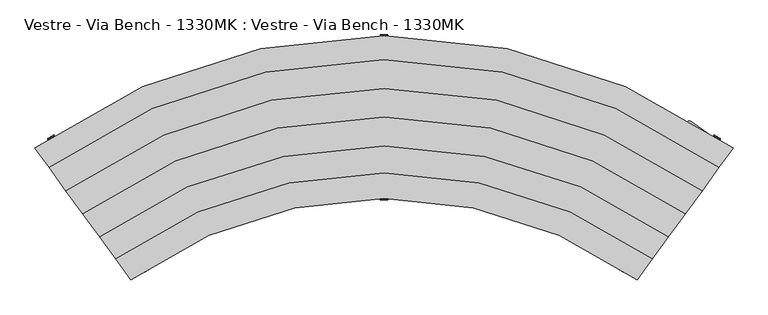
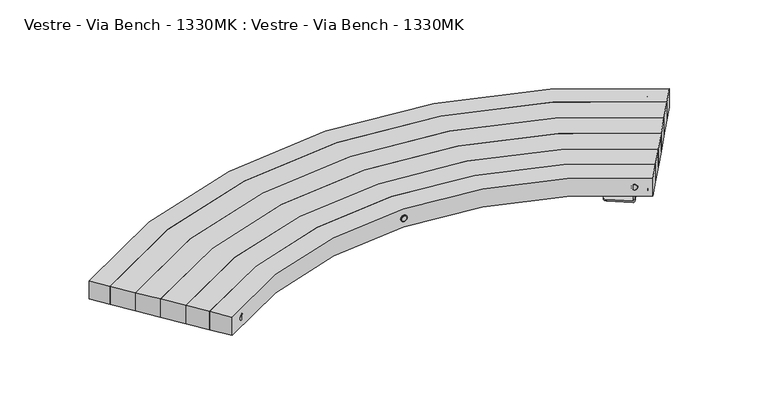
"""IFC4 building model written with IfcOpenShell, lengths in millimetres: furniture geometry, Vestre - Via Bench - 1330MK : Vestre - Via Bench - 1330MK."""

from ifc_helpers import new_model, si_unit, point, frame, frame_2d, origin, place, context, project, spatial, polyline, circle_curve, trimmed, segment, composite_curve, outline, extrude, source, transform, mapped, element, save
from ifc_brep_helpers import plane_surface, cylinder_surface, revolved_surface, advanced_brep


def vestre_via_bench_1330mk_vestre_via_bench_1330mk_313ff2eb(model_context):
    return source(origin(), model_context, "Body", "SolidModel", [
        advanced_brep(
        [(-746.7707062, -484.4294589, 414.0553515), (-728.4152652, -472.5092961, 414.0553515), (-728.4895462, -469.6115602, 414.0553515), (-749.387707, -483.1829845, 414.0553515), (-727.9695361, -470.4123054, 414.0553515), (-748.8676969, -483.9837298, 414.0553515)],
        [
            (0, 1, circle_curve(frame((-737.5929857, -478.4693775, 414.0553515), z_axis=(0.544639035015091, -0.8386705679453826, 0.0), x_axis=(-0.8386705679453826, -0.544639035015091, 0.0)), 10.943177)),
            (1, 0, circle_curve(frame((-737.5929857, -478.4693775, 414.0553515), z_axis=(0.544639035015091, -0.8386705679453826, 0.0), x_axis=(0.8386705679453826, 0.544639035015091, 0.0)), 10.943177)),
            (2, 3, circle_curve(frame((-738.9386266, -476.3972723, 414.0553515), z_axis=(-0.544639035015091, 0.8386705679453826, 0.0), x_axis=(-0.8386705679453826, -0.544639035015091, 0.0)), 12.4590999)),
            (3, 2, circle_curve(frame((-738.9386266, -476.3972723, 414.0553515), z_axis=(-0.544639035015091, 0.8386705679453826, 0.0), x_axis=(0.8386705679453826, 0.544639035015091, 0.0)), 12.4590999)),
            (4, 5, circle_curve(frame((-738.4186165, -477.1980176, 414.0553515), z_axis=(-0.544639035015091, 0.8386705679453826, 0.0), x_axis=(-0.8386705679453826, -0.544639035015091, 0.0)), 12.4590999)),
            (5, 3),
            (2, 4),
            (4, 1),
            (0, 5),
            (5, 4, circle_curve(frame((-738.4186165, -477.1980176, 414.0553515), z_axis=(-0.544639035015091, 0.8386705679453826, 0.0), x_axis=(0.8386705679453826, 0.544639035015091, 0.0)), 12.4590999)),
        ],
        [
            plane_surface(frame((-739.232412, -479.5340334, 414.0553515), z_axis=(0.544639035015091, -0.8386705679453826, 0.0), x_axis=(0.0, 0.0, -1.0))),
            plane_surface(frame((-740.5780529, -477.4619282, 414.0553515), z_axis=(-0.544639035015091, 0.8386705679453826, 0.0), x_axis=(0.0, 0.0, 1.0))),
            cylinder_surface(frame((-877.6741456, -262.7633074, 414.0553515), z_axis=(0.544639035015091, -0.8386705679453826, 0.0), x_axis=(-0.8386705679453826, -0.544639035015091, 0.0)), 12.4590999),
            revolved_surface(polyline([(-748.8676969, -483.9837298, 414.0553515), (-746.7707062, -484.4294589, 414.0553515)]), (-877.6741456, -262.7633074, 414.0553515), (0.544639035015091, -0.8386705679453826, 0.0)),
            cylinder_surface(frame((-877.6741456, -262.7633074, 414.0553515), z_axis=(0.544639035015091, -0.8386705679453826, 0.0), x_axis=(0.8386705679453826, 0.544639035015091, 0.0)), 12.4590999),
            revolved_surface(polyline([(-727.9695361, -470.4123054, 414.0553515), (-728.4152652, -472.5092961, 414.0553515)]), (-877.6741456, -262.7633074, 414.0553515), (0.544639035015091, -0.8386705679453826, 0.0)),
        ],
        [
            (0, [[1, 2]]),
            (1, [[3, 4]]),
            (2, [[5, 6, -3, 7]]),
            (3, [[-5, 8, -1, 9]]),
            (4, [[-6, 10, -7, -4]]),
            (5, [[-9, -2, -8, -10]]),
        ],
    ),
        advanced_brep(
        [(-12.4590999, -256.4481884, 414.0553515), (12.4590999, -256.4481884, 414.0553515), (12.4590999, -257.4029676, 414.0553515), (-12.4590999, -257.4029676, 414.0553515), (10.943177, -258.9188905, 414.0553515), (-10.943177, -258.9188905, 414.0553515)],
        [
            (0, 1, circle_curve(frame((0.0, -256.4481884, 414.0553515), z_axis=(0.0, -1.0, 0.0), x_axis=(1.0, 0.0, 0.0)), 12.4590999)),
            (1, 2),
            (2, 3, circle_curve(frame((0.0, -257.4029676, 414.0553515), z_axis=(0.0, 1.0, 0.0), x_axis=(1.0, 0.0, 0.0)), 12.4590999)),
            (3, 0),
            (2, 4),
            (4, 5, circle_curve(frame((0.0, -258.9188905, 414.0553515), z_axis=(0.0, 1.0, 0.0), x_axis=(1.0, 0.0, 0.0)), 10.943177)),
            (5, 3),
            (0, 1, circle_curve(frame((0.0, -256.4481884, 414.0553515), z_axis=(0.0, 1.0, 0.0), x_axis=(-1.0, 0.0, 0.0)), 12.4590999)),
            (3, 2, circle_curve(frame((0.0, -257.4029676, 414.0553515), z_axis=(0.0, 1.0, 0.0), x_axis=(-1.0, 0.0, 0.0)), 12.4590999)),
            (5, 4, circle_curve(frame((0.0, -258.9188905, 414.0553515), z_axis=(0.0, 1.0, 0.0), x_axis=(-1.0, 0.0, 0.0)), 10.943177)),
        ],
        [
            cylinder_surface(frame((0.0, -1.7188905, 414.0553515), z_axis=(0.0, 1.0, 0.0), x_axis=(1.0, 0.0, 0.0)), 12.4590999),
            revolved_surface(polyline([(10.943177, -258.9188905, 414.0553515), (12.4590999, -257.4029676, 414.0553515)]), (0.0, -1.7188905, 414.0553515), (0.0, 1.0, 0.0)),
            plane_surface(frame((0.0, -256.4481884, 414.0553515), z_axis=(0.0, 1.0, 0.0), x_axis=(-1.0, 0.0, 0.0))),
            cylinder_surface(frame((0.0, -1.7188905, 414.0553515), z_axis=(0.0, 1.0, 0.0), x_axis=(-1.0, 0.0, 0.0)), 12.4590999),
            revolved_surface(polyline([(-10.943177, -258.9188905, 414.0553515), (-12.4590999, -257.4029676, 414.0553515)]), (0.0, -1.7188905, 414.0553515), (0.0, 1.0, 0.0)),
            plane_surface(frame((0.0, -258.9188905, 414.0553515), z_axis=(0.0, -1.0, 0.0), x_axis=(-1.0, 0.0, 0.0))),
        ],
        [
            (0, [[1, 2, 3, 4]]),
            (1, [[-3, 5, 6, 7]]),
            (2, [[-1, 8]]),
            (3, [[-2, -8, -4, 9]]),
            (4, [[-5, -9, -7, 10]]),
            (5, [[-6, -10]]),
        ],
    ),
        advanced_brep(
        [(728.4895462, -469.6115602, 414.0553515), (749.387707, -483.1829845, 414.0553515), (748.8676969, -483.9837298, 414.0553515), (727.9695361, -470.4123054, 414.0553515), (746.7707062, -484.4294589, 414.0553515), (728.4152652, -472.5092961, 414.0553515)],
        [
            (0, 1, circle_curve(frame((738.9386266, -476.3972723, 414.0553515), z_axis=(-0.544639035015091, -0.8386705679453826, 0.0), x_axis=(0.8386705679453826, -0.544639035015091, 0.0)), 12.4590999)),
            (1, 2),
            (2, 3, circle_curve(frame((738.4186165, -477.1980176, 414.0553515), z_axis=(0.544639035015091, 0.8386705679453826, 0.0), x_axis=(0.8386705679453826, -0.544639035015091, 0.0)), 12.4590999)),
            (3, 0),
            (2, 4),
            (4, 5, circle_curve(frame((737.5929857, -478.4693775, 414.0553515), z_axis=(0.544639035015091, 0.8386705679453826, 0.0), x_axis=(0.8386705679453826, -0.544639035015091, 0.0)), 10.943177)),
            (5, 3),
            (0, 1, circle_curve(frame((738.9386266, -476.3972723, 414.0553515), z_axis=(0.544639035015091, 0.8386705679453826, 0.0), x_axis=(-0.8386705679453826, 0.544639035015091, 0.0)), 12.4590999)),
            (3, 2, circle_curve(frame((738.4186165, -477.1980176, 414.0553515), z_axis=(0.544639035015091, 0.8386705679453826, 0.0), x_axis=(-0.8386705679453826, 0.544639035015091, 0.0)), 12.4590999)),
            (5, 4, circle_curve(frame((737.5929857, -478.4693775, 414.0553515), z_axis=(0.544639035015091, 0.8386705679453826, 0.0), x_axis=(-0.8386705679453826, 0.544639035015091, 0.0)), 10.943177)),
        ],
        [
            cylinder_surface(frame((877.6741456, -262.7633074, 414.0553515), z_axis=(0.544639035015091, 0.8386705679453826, 0.0), x_axis=(0.8386705679453826, -0.544639035015091, 0.0)), 12.4590999),
            revolved_surface(polyline([(746.7707062, -484.4294589, 414.0553515), (748.8676969, -483.9837298, 414.0553515)]), (877.6741456, -262.7633074, 414.0553515), (0.544639035015091, 0.8386705679453826, 0.0)),
            plane_surface(frame((738.9386266, -476.3972723, 414.0553515), z_axis=(0.544639035015091, 0.8386705679453826, 0.0), x_axis=(-0.8386705679453826, 0.544639035015091, 0.0))),
            cylinder_surface(frame((877.6741456, -262.7633074, 414.0553515), z_axis=(0.544639035015091, 0.8386705679453826, 0.0), x_axis=(-0.8386705679453826, 0.544639035015091, 0.0)), 12.4590999),
            revolved_surface(polyline([(728.4152652, -472.5092961, 414.0553515), (727.9695361, -470.4123054, 414.0553515)]), (877.6741456, -262.7633074, 414.0553515), (0.544639035015091, 0.8386705679453826, 0.0)),
            plane_surface(frame((737.5929857, -478.4693775, 414.0553515), z_axis=(-0.544639035015091, -0.8386705679453826, 0.0), x_axis=(-0.8386705679453826, 0.544639035015091, 0.0))),
        ],
        [
            (0, [[1, 2, 3, 4]]),
            (1, [[-3, 5, 6, 7]]),
            (2, [[-1, 8]]),
            (3, [[-2, -8, -4, 9]]),
            (4, [[-5, -9, -7, 10]]),
            (5, [[-6, -10]]),
        ],
    ),
        advanced_brep(
        [(1029.3517649, -56.3296352, 414.0553515), (1050.1283702, -70.0864282, 414.0553515), (1049.6012575, -70.8825158, 414.0553515), (1028.8246522, -57.1257228, 414.0553515), (1031.4526377, -55.9025781, 414.0553515), (1049.7013131, -67.9855553, 414.0553515)],
        [
            (0, 1, circle_curve(frame((1039.7400676, -63.2080317, 414.0553515), z_axis=(-0.5520781232859945, -0.8337923877015275, 0.0), x_axis=(0.8337923877015275, -0.5520781232859945, 0.0)), 12.4590999)),
            (1, 2),
            (2, 3, circle_curve(frame((1039.2129548, -64.0041193, 414.0553515), z_axis=(0.5520781232859945, 0.8337923877015275, 0.0), x_axis=(0.8337923877015275, -0.5520781232859945, 0.0)), 12.4590999)),
            (3, 0),
            (0, 4),
            (4, 5, circle_curve(frame((1040.5769754, -61.9440667, 414.0553515), z_axis=(-0.5520781232859945, -0.8337923877015275, 0.0), x_axis=(0.8337923877015275, -0.5520781232859945, 0.0)), 10.943177)),
            (5, 1),
            (2, 3, circle_curve(frame((1039.2129548, -64.0041193, 414.0553515), z_axis=(-0.5520781232859945, -0.8337923877015275, 0.0), x_axis=(-0.8337923877015275, 0.5520781232859945, 0.0)), 12.4590999)),
            (1, 0, circle_curve(frame((1039.7400676, -63.2080317, 414.0553515), z_axis=(-0.5520781232859945, -0.8337923877015275, 0.0), x_axis=(-0.8337923877015275, 0.5520781232859945, 0.0)), 12.4590999)),
            (5, 4, circle_curve(frame((1040.5769754, -61.9440667, 414.0553515), z_axis=(-0.5520781232859945, -0.8337923877015275, 0.0), x_axis=(-0.8337923877015275, 0.5520781232859945, 0.0)), 10.943177)),
        ],
        [
            cylinder_surface(frame((898.5824821, -276.3954688, 414.0553515), z_axis=(0.5520781232859945, 0.8337923877015275, 0.0), x_axis=(0.8337923877015275, -0.5520781232859945, 0.0)), 12.4590999),
            revolved_surface(polyline([(1050.1283702, -70.0864282, 414.0553515), (1049.7013131, -67.9855553, 414.0553515)]), (898.5824821, -276.3954688, 414.0553515), (0.5520781232859945, 0.8337923877015275, 0.0)),
            plane_surface(frame((1039.2129548, -64.0041193, 414.0553515), z_axis=(-0.5520781232859945, -0.8337923877015275, 0.0), x_axis=(-0.8337923877015275, 0.5520781232859945, 0.0))),
            cylinder_surface(frame((898.5824821, -276.3954688, 414.0553515), z_axis=(0.5520781232859945, 0.8337923877015275, 0.0), x_axis=(-0.8337923877015275, 0.5520781232859945, 0.0)), 12.4590999),
            revolved_surface(polyline([(1029.3517649, -56.3296352, 414.0553515), (1031.4526377, -55.9025781, 414.0553515)]), (898.5824821, -276.3954688, 414.0553515), (0.5520781232859945, 0.8337923877015275, 0.0)),
            plane_surface(frame((1040.5769754, -61.9440667, 414.0553515), z_axis=(0.5520781232859945, 0.8337923877015275, 0.0), x_axis=(-0.8337923877015275, 0.5520781232859945, 0.0))),
        ],
        [
            (0, [[1, 2, 3, 4]]),
            (1, [[-1, 5, 6, 7]]),
            (2, [[-3, 8]]),
            (3, [[-2, 9, -4, -8]]),
            (4, [[-7, 10, -5, -9]]),
            (5, [[-6, -10]]),
        ],
    ),
        advanced_brep(
        [(-12.4590999, 255.6840771, 414.0553515), (12.4590999, 255.6840771, 414.0553515), (12.4590999, 254.7292979, 414.0553515), (-12.4590999, 254.7292979, 414.0553515), (-10.943177, 257.2, 414.0553515), (10.943177, 257.2, 414.0553515)],
        [
            (0, 1, circle_curve(frame((0.0, 255.6840771, 414.0553515), z_axis=(0.0, -1.0, 0.0), x_axis=(1.0, 0.0, 0.0)), 12.4590999)),
            (1, 2),
            (2, 3, circle_curve(frame((0.0, 254.7292979, 414.0553515), z_axis=(0.0, 1.0, 0.0), x_axis=(1.0, 0.0, 0.0)), 12.4590999)),
            (3, 0),
            (0, 4),
            (4, 5, circle_curve(frame((0.0, 257.2, 414.0553515), z_axis=(0.0, -1.0, 0.0), x_axis=(1.0, 0.0, 0.0)), 10.943177)),
            (5, 1),
            (2, 3, circle_curve(frame((0.0, 254.7292979, 414.0553515), z_axis=(0.0, -1.0, 0.0), x_axis=(-1.0, 0.0, 0.0)), 12.4590999)),
            (1, 0, circle_curve(frame((0.0, 255.6840771, 414.0553515), z_axis=(0.0, -1.0, 0.0), x_axis=(-1.0, 0.0, 0.0)), 12.4590999)),
            (5, 4, circle_curve(frame((0.0, 257.2, 414.0553515), z_axis=(0.0, -1.0, 0.0), x_axis=(-1.0, 0.0, 0.0)), 10.943177)),
        ],
        [
            cylinder_surface(frame((0.0, 0.0, 414.0553515), z_axis=(0.0, 1.0, 0.0), x_axis=(1.0, 0.0, 0.0)), 12.4590999),
            revolved_surface(polyline([(12.4590999, 255.6840771, 414.0553515), (10.943177, 257.2, 414.0553515)]), (0.0, 0.0, 414.0553515), (0.0, 1.0, 0.0)),
            plane_surface(frame((0.0, 254.7292979, 414.0553515), z_axis=(0.0, -1.0, 0.0), x_axis=(-1.0, 0.0, 0.0))),
            cylinder_surface(frame((0.0, 0.0, 414.0553515), z_axis=(0.0, 1.0, 0.0), x_axis=(-1.0, 0.0, 0.0)), 12.4590999),
            revolved_surface(polyline([(-12.4590999, 255.6840771, 414.0553515), (-10.943177, 257.2, 414.0553515)]), (0.0, 0.0, 414.0553515), (0.0, 1.0, 0.0)),
            plane_surface(frame((0.0, 257.2, 414.0553515), z_axis=(0.0, 1.0, 0.0), x_axis=(-1.0, 0.0, 0.0))),
        ],
        [
            (0, [[1, 2, 3, 4]]),
            (1, [[-1, 5, 6, 7]]),
            (2, [[-3, 8]]),
            (3, [[-2, 9, -4, -8]]),
            (4, [[-7, 10, -5, -9]]),
            (5, [[-6, -10]]),
        ],
    ),
        advanced_brep(
        [(-1028.8246522, -57.1257228, 414.0553515), (-1049.6012575, -70.8825158, 414.0553515), (-1050.1283702, -70.0864282, 414.0553515), (-1029.3517649, -56.3296352, 414.0553515), (-1049.7013131, -67.9855553, 414.0553515), (-1031.4526377, -55.9025781, 414.0553515)],
        [
            (0, 1, circle_curve(frame((-1039.2129548, -64.0041193, 414.0553515), z_axis=(-0.5520781232859945, 0.8337923877015276, 0.0), x_axis=(-0.8337923877015274, -0.5520781232859944, 0.0)), 12.4590999)),
            (1, 2),
            (2, 3, circle_curve(frame((-1039.7400676, -63.2080317, 414.0553515), z_axis=(0.5520781232859945, -0.8337923877015276, 0.0), x_axis=(-0.8337923877015274, -0.5520781232859944, 0.0)), 12.4590999)),
            (3, 0),
            (2, 4),
            (4, 5, circle_curve(frame((-1040.5769754, -61.9440667, 414.0553515), z_axis=(0.5520781232859945, -0.8337923877015276, 0.0), x_axis=(-0.8337923877015274, -0.5520781232859944, 0.0)), 10.943177)),
            (5, 3),
            (0, 1, circle_curve(frame((-1039.2129548, -64.0041193, 414.0553515), z_axis=(0.5520781232859945, -0.8337923877015276, 0.0), x_axis=(0.8337923877015274, 0.5520781232859944, 0.0)), 12.4590999)),
            (3, 2, circle_curve(frame((-1039.7400676, -63.2080317, 414.0553515), z_axis=(0.5520781232859945, -0.8337923877015276, 0.0), x_axis=(0.8337923877015274, 0.5520781232859944, 0.0)), 12.4590999)),
            (5, 4, circle_curve(frame((-1040.5769754, -61.9440667, 414.0553515), z_axis=(0.5520781232859945, -0.8337923877015276, 0.0), x_axis=(0.8337923877015274, 0.5520781232859944, 0.0)), 10.943177)),
        ],
        [
            cylinder_surface(frame((-898.5824821, -276.3954688, 414.0553515), z_axis=(0.5520781232859944, -0.8337923877015274, 0.0), x_axis=(-0.8337923877015274, -0.5520781232859944, 0.0)), 12.4590999),
            revolved_surface(polyline([(-1049.7013131, -67.9855553, 414.0553515), (-1050.1283702, -70.0864282, 414.0553515)]), (-898.5824821, -276.3954688, 414.0553515), (0.5520781232859944, -0.8337923877015274, 0.0)),
            plane_surface(frame((-1039.2129548, -64.0041193, 414.0553515), z_axis=(0.5520781232859945, -0.8337923877015275, 0.0), x_axis=(0.8337923877015275, 0.5520781232859945, 0.0))),
            cylinder_surface(frame((-898.5824821, -276.3954688, 414.0553515), z_axis=(0.5520781232859944, -0.8337923877015274, 0.0), x_axis=(0.8337923877015274, 0.5520781232859944, 0.0)), 12.4590999),
            revolved_surface(polyline([(-1031.4526377, -55.9025781, 414.0553515), (-1029.3517649, -56.3296352, 414.0553515)]), (-898.5824821, -276.3954688, 414.0553515), (0.5520781232859944, -0.8337923877015274, 0.0)),
            plane_surface(frame((-1040.5769754, -61.9440667, 414.0553515), z_axis=(-0.5520781232859945, 0.8337923877015275, 0.0), x_axis=(0.8337923877015275, 0.5520781232859945, 0.0))),
        ],
        [
            (0, [[1, 2, 3, 4]]),
            (1, [[-3, 5, 6, 7]]),
            (2, [[-1, 8]]),
            (3, [[-2, -8, -4, 9]]),
            (4, [[-5, -9, -7, 10]]),
            (5, [[-6, -10]]),
        ],
    ),
        extrude(outline(composite_curve([segment(polyline([(-790.3481694, -508.6694231), (-837.5173504, -443.7466151)]), True, "CONTINUOUS"), segment(trimmed(circle_curve(frame_2d((0.0, -1613.0635707)), 1438.3106253), [point((-837.5173504, -443.7466151))], [point((837.5173504, -443.7466151))], False, "CARTESIAN"), True, "CONTINUOUS"), segment(polyline([(837.5173504, -443.7466151), (790.3481694, -508.6694231)]), True, "CONTINUOUS"), segment(trimmed(circle_curve(frame_2d((0.0, -1613.0635707)), 1358.0635707), [point((790.3481694, -508.6694231))], [point((-790.3481694, -508.6694231))], True, "CARTESIAN"), True, "CONTINUOUS")], self_intersect=False)), frame((0.0, 0.0, 378.0005819), z_axis=(0.0, 0.0, 1.0), x_axis=(1.0, 0.0, 0.0)), (0.0, 0.0, 1.0), 72.0),
        extrude(outline(composite_curve([segment(polyline([(-837.5173504, -443.7466151), (-887.3358777, -375.1772949)]), True, "CONTINUOUS"), segment(trimmed(circle_curve(frame_2d((0.0, -1613.0635707)), 1523.0651305), [point((-887.3358777, -375.1772949))], [point((887.3358777, -375.1772949))], False, "CARTESIAN"), True, "CONTINUOUS"), segment(polyline([(887.3358777, -375.1772949), (837.5173504, -443.7466151)]), True, "CONTINUOUS"), segment(trimmed(circle_curve(frame_2d((0.0, -1613.0635707)), 1438.3106253), [point((837.5173504, -443.7466151))], [point((-837.5173504, -443.7466151))], True, "CARTESIAN"), True, "CONTINUOUS")], self_intersect=False)), frame((0.0, 0.0, 378.0005819), z_axis=(0.0, 0.0, 1.0), x_axis=(1.0, 0.0, 0.0)), (0.0, 0.0, 1.0), 72.0),
        extrude(outline(composite_curve([segment(polyline([(-887.3358777, -375.1772949), (-940.2366553, -302.365621)]), True, "CONTINUOUS"), segment(trimmed(circle_curve(frame_2d((0.0, -1613.0635707)), 1613.0635707), [point((-940.2366553, -302.365621))], [point((940.2366553, -302.365621))], False, "CARTESIAN"), True, "CONTINUOUS"), segment(polyline([(940.2366553, -302.365621), (887.3358777, -375.1772949)]), True, "CONTINUOUS"), segment(trimmed(circle_curve(frame_2d((0.0, -1613.0635707)), 1523.0651305), [point((887.3358777, -375.1772949))], [point((-887.3358777, -375.1772949))], True, "CARTESIAN"), True, "CONTINUOUS")], self_intersect=False)), frame((0.0, 0.0, 378.0005819), z_axis=(0.0, 0.0, 1.0), x_axis=(1.0, 0.0, 0.0)), (0.0, 0.0, 1.0), 72.0),
        extrude(outline(composite_curve([segment(polyline([(-940.2366553, -302.365621), (-992.7079408, -230.1450923)]), True, "CONTINUOUS"), segment(trimmed(circle_curve(frame_2d((0.0, -1613.0635707)), 1702.3315111), [point((-992.7079408, -230.1450923))], [point((992.7079408, -230.1450923))], False, "CARTESIAN"), True, "CONTINUOUS"), segment(polyline([(992.7079408, -230.1450923), (940.2366553, -302.365621)]), True, "CONTINUOUS"), segment(trimmed(circle_curve(frame_2d((0.0, -1613.0635707)), 1613.0635707), [point((940.2366553, -302.365621))], [point((-940.2366553, -302.365621))], True, "CARTESIAN"), True, "CONTINUOUS")], self_intersect=False)), frame((0.0, 0.0, 378.0005819), z_axis=(0.0, 0.0, 1.0), x_axis=(1.0, 0.0, 0.0)), (0.0, 0.0, 1.0), 72.0),
        extrude(outline(composite_curve([segment(polyline([(-992.7079408, -230.1450923), (-1045.5946669, -157.3527586)]), True, "CONTINUOUS"), segment(trimmed(circle_curve(frame_2d((0.0, -1613.0635707)), 1792.3063845), [point((-1045.5946669, -157.3527586))], [point((1045.5946669, -157.3527586))], False, "CARTESIAN"), True, "CONTINUOUS"), segment(polyline([(1045.5946669, -157.3527586), (992.7079408, -230.1450923)]), True, "CONTINUOUS"), segment(trimmed(circle_curve(frame_2d((0.0, -1613.0635707)), 1702.3315111), [point((992.7079408, -230.1450923))], [point((-992.7079408, -230.1450923))], True, "CARTESIAN"), True, "CONTINUOUS")], self_intersect=False)), frame((0.0, 0.0, 378.0005819), z_axis=(0.0, 0.0, 1.0), x_axis=(1.0, 0.0, 0.0)), (0.0, 0.0, 1.0), 72.0),
        extrude(outline(composite_curve([segment(polyline([(-1045.5946669, -157.3527586), (-1089.6791858, -96.6756238)]), True, "CONTINUOUS"), segment(trimmed(circle_curve(frame_2d((0.0, -1613.0635707)), 1867.3063845), [point((-1089.6791858, -96.6756238))], [point((1089.6791858, -96.6756238))], False, "CARTESIAN"), True, "CONTINUOUS"), segment(polyline([(1089.6791858, -96.6756238), (1045.5946669, -157.3527586)]), True, "CONTINUOUS"), segment(trimmed(circle_curve(frame_2d((0.0, -1613.0635707)), 1792.3063845), [point((1045.5946669, -157.3527586))], [point((-1045.5946669, -157.3527586))], True, "CARTESIAN"), True, "CONTINUOUS")], self_intersect=False)), frame((0.0, 0.0, 378.0005819), z_axis=(0.0, 0.0, 1.0), x_axis=(1.0, 0.0, 0.0)), (0.0, 0.0, 1.0), 72.0),
        advanced_brep(
        [(959.3718215, -14.2829364, 347.5561945), (945.403797, -16.4952411, 347.5561945), (668.7329037, -397.2993261, 347.5561945), (670.9452084, -411.2673506, 347.5561945), (741.6883802, -462.665372, 347.5561945), (1030.1149932, -65.6809579, 347.5561945), (670.9452084, -411.2673506, 342.5561945), (668.7329037, -397.2993261, 342.5561945), (945.403797, -16.4952411, 342.5561945), (959.3718215, -14.2829364, 342.5561945), (1030.1152993, -65.6811803, 342.5561945), (741.6886862, -462.6655944, 342.5561945), (1030.7622064, -66.1511867, 348.3561945), (1030.7622064, -66.1511867, 372.2), (1035.4548079, -69.5605678, 378.0003783), (1059.1489672, -86.7754152, 378.0003783), (1059.1489672, -86.7754152, 373.0), (1035.4548079, -69.5605678, 373.0), (1034.8075947, -69.090339, 372.2), (1034.8075947, -69.090339, 348.3561945), (746.3809817, -466.0747531, 348.3561945), (746.3809817, -466.0747531, 372.2), (747.0281948, -466.5449819, 373.0), (770.7223542, -483.7598294, 373.0), (770.7223542, -483.7598294, 378.0003783), (747.0281948, -466.5449819, 378.0003783), (742.3355933, -463.1356008, 372.2), (742.3355933, -463.1356008, 348.3561945), (952.9360111, -232.9647273, 378.0003783), (936.755682, -221.2090075, 378.0003783), (932.9409133, -210.6585682, 378.0003783), (902.0313507, -253.2018498, 378.0003783), (913.2442424, -253.5696658, 378.0003783), (929.4245715, -265.3253856, 378.0003783), (943.392596, -263.113081, 378.0003783), (955.1483158, -246.9327518, 378.0003783), (966.1449815, -180.7581846, 378.0003783), (982.3253107, -192.5139044, 378.0003783), (996.2933351, -190.3015997, 378.0003783), (1008.049055, -174.1212706, 378.0003783), (1005.8367503, -160.1532461, 378.0003783), (989.6564211, -148.3975263, 378.0003783), (985.8416524, -137.847087, 378.0003783), (954.9320898, -180.3903686, 378.0003783), (1019.0457206, -107.9467034, 378.0003783), (1035.2260498, -119.7024232, 378.0003783), (1049.1940743, -117.4901185, 378.0003783), (1061.3612719, -100.7434397, 378.0003783), (1007.8328289, -107.5788873, 378.0003783), (900.035272, -305.7762085, 378.0003783), (883.8549429, -294.0204887, 378.0003783), (880.0401742, -283.4700495, 378.0003783), (849.1306116, -326.013331, 378.0003783), (860.3435033, -326.3811471, 378.0003783), (876.5238324, -338.1368669, 378.0003783), (890.4918569, -335.9245622, 378.0003783), (902.2475767, -319.744233, 378.0003783), (847.1345329, -378.5876898, 378.0003783), (830.9542037, -366.83197, 378.0003783), (827.1394351, -356.2815307, 378.0003783), (796.2298724, -398.8248123, 378.0003783), (807.4427641, -399.1926283, 378.0003783), (823.6230933, -410.9483481, 378.0003783), (837.5911178, -408.7360434, 378.0003783), (849.3468376, -392.5557143, 378.0003783), (794.2337938, -451.399171, 378.0003783), (778.0534646, -439.6434512, 378.0003783), (774.238696, -429.093012, 378.0003783), (784.6903787, -481.5475247, 378.0003783), (796.4460985, -465.3671955, 378.0003783), (952.9360111, -232.9647273, 373.0), (955.1483158, -246.9327518, 373.0), (943.392596, -263.113081, 373.0), (929.4245715, -265.3253856, 373.0), (913.2442424, -253.5696658, 373.0), (902.0313507, -253.2018498, 373.0), (932.9409133, -210.6585682, 373.0), (936.755682, -221.2090075, 373.0), (966.1449815, -180.7581846, 373.0), (954.9320898, -180.3903686, 373.0), (985.8416524, -137.847087, 373.0), (989.6564211, -148.3975263, 373.0), (1005.8367503, -160.1532461, 373.0), (1008.049055, -174.1212706, 373.0), (996.2933351, -190.3015997, 373.0), (982.3253107, -192.5139044, 373.0), (1019.0457206, -107.9467034, 373.0), (1007.8328289, -107.5788873, 373.0), (1061.3612719, -100.7434397, 373.0), (1049.1940743, -117.4901185, 373.0), (1035.2260498, -119.7024232, 373.0), (900.035272, -305.7762085, 373.0), (902.2475767, -319.744233, 373.0), (890.4918569, -335.9245622, 373.0), (876.5238324, -338.1368669, 373.0), (860.3435033, -326.3811471, 373.0), (849.1306116, -326.013331, 373.0), (880.0401742, -283.4700495, 373.0), (883.8549429, -294.0204887, 373.0), (847.1345329, -378.5876898, 373.0), (849.3468376, -392.5557143, 373.0), (837.5911178, -408.7360434, 373.0), (823.6230933, -410.9483481, 373.0), (807.4427641, -399.1926283, 373.0), (796.2298724, -398.8248123, 373.0), (827.1394351, -356.2815307, 373.0), (830.9542037, -366.83197, 373.0), (794.2337938, -451.399171, 373.0), (796.4460985, -465.3671955, 373.0), (784.6903787, -481.5475247, 373.0), (774.238696, -429.093012, 373.0), (778.0534646, -439.6434512, 373.0)],
        [
            (0, 1, circle_curve(frame((953.4939616, -22.373101, 347.5561945), z_axis=(0.0, 0.0, 1.0), x_axis=(0.587785990252187, 0.8090164582153172, 0.0)), 10.0)),
            (1, 2),
            (2, 3, circle_curve(frame((676.8230683, -403.177186, 347.5561945), z_axis=(0.0, 0.0, 1.0), x_axis=(-0.8090164582153332, 0.587785990252165, 0.0)), 10.0)),
            (3, 4),
            (4, 5),
            (5, 0),
            (6, 7, circle_curve(frame((676.8230683, -403.177186, 342.5561945), z_axis=(0.0, 0.0, -1.0), x_axis=(-0.8090164582153332, 0.587785990252165, 0.0)), 10.0)),
            (7, 8),
            (8, 9, circle_curve(frame((953.4939616, -22.373101, 342.5561945), z_axis=(0.0, 0.0, -1.0), x_axis=(0.587785990252187, 0.8090164582153172, 0.0)), 10.0)),
            (9, 10),
            (10, 11),
            (11, 6),
            (2, 7),
            (6, 3),
            (1, 8),
            (0, 9),
            (5, 12, circle_curve(frame((1030.1149932, -65.6809579, 348.3561945), z_axis=(-0.5877859902522089, -0.8090164582153013, 0.0), x_axis=(-0.8090164582153013, 0.5877859902522089, 0.0)), 0.8)),
            (12, 13),
            (13, 14, circle_curve(frame((1035.4548079, -69.5605678, 372.2), z_axis=(0.5877859902522089, 0.8090164582153013, 0.0), x_axis=(-0.8090164582153013, 0.5877859902522089, 0.0)), 5.8003783)),
            (14, 15),
            (15, 16),
            (16, 17),
            (17, 18, circle_curve(frame((1035.4548079, -69.5605678, 372.2), z_axis=(-0.5877859902522089, -0.8090164582153013, 0.0), x_axis=(-0.8090164582153013, 0.5877859902522089, 0.0)), 0.8)),
            (18, 19),
            (19, 10, circle_curve(frame((1030.1152993, -65.6811803, 348.3561945), z_axis=(0.5877859902522089, 0.8090164582153013, 0.0), x_axis=(-0.8090164582153013, 0.5877859902522089, 0.0)), 5.8)),
            (11, 20, circle_curve(frame((741.6886862, -462.6655944, 348.3561945), z_axis=(-0.5877859902522089, -0.8090164582153013, 0.0), x_axis=(-0.8090164582153013, 0.5877859902522089, 0.0)), 5.8)),
            (20, 21),
            (21, 22, circle_curve(frame((747.0281948, -466.5449819, 372.2), z_axis=(0.5877859902522089, 0.8090164582153013, 0.0), x_axis=(-0.8090164582153013, 0.5877859902522089, 0.0)), 0.8)),
            (22, 23),
            (23, 24),
            (24, 25),
            (25, 26, circle_curve(frame((747.0281948, -466.5449819, 372.2), z_axis=(-0.5877859902522089, -0.8090164582153013, 0.0), x_axis=(-0.8090164582153013, 0.5877859902522089, 0.0)), 5.8003783)),
            (26, 27),
            (27, 4, circle_curve(frame((741.6883802, -462.665372, 348.3561945), z_axis=(0.5877859902522089, 0.8090164582153013, 0.0), x_axis=(-0.8090164582153013, 0.5877859902522089, 0.0)), 0.8)),
            (19, 20),
            (27, 12),
            (28, 29),
            (29, 30, circle_curve(frame((942.6335419, -213.1188429, 378.0003783), z_axis=(0.0, 0.0, -1.0), x_axis=(-0.9692628566263077, 0.24602746750029741, 0.0)), 10.0)),
            (30, 31),
            (31, 32, circle_curve(frame((907.3663825, -261.6598304, 378.0003783), z_axis=(0.0, 0.0, -1.0), x_axis=(0.5877859902522089, 0.8090164582153013, 0.0)), 10.0)),
            (32, 33),
            (33, 34, circle_curve(frame((935.3024314, -257.2352211, 378.0003783), z_axis=(0.0, 0.0, 1.0), x_axis=(-0.5877859902522089, -0.8090164582153013, 0.0)), 10.0)),
            (34, 35),
            (35, 28, circle_curve(frame((947.0581512, -241.0548919, 378.0003783), z_axis=(0.0, 0.0, 1.0), x_axis=(0.8090164582152695, -0.5877859902522528, 0.0)), 10.0)),
            (36, 37),
            (37, 38, circle_curve(frame((988.2031706, -184.4237398, 378.0003783), z_axis=(0.0, 0.0, 1.0), x_axis=(-0.5877859902522089, -0.8090164582153013, 0.0)), 10.0)),
            (38, 39),
            (39, 40, circle_curve(frame((999.9588904, -168.2434106, 378.0003783), z_axis=(0.0, 0.0, 1.0), x_axis=(0.8090164582152695, -0.5877859902522528, 0.0)), 10.0)),
            (40, 41),
            (41, 42, circle_curve(frame((995.534281, -140.3073617, 378.0003783), z_axis=(0.0, 0.0, -1.0), x_axis=(-0.9692628566262891, 0.2460274675003704, 0.0)), 10.0)),
            (42, 43),
            (43, 36, circle_curve(frame((960.2671216, -188.8483492, 378.0003783), z_axis=(0.0, 0.0, -1.0), x_axis=(0.5877859902522089, 0.8090164582153013, 0.0)), 10.0)),
            (44, 45),
            (45, 46, circle_curve(frame((1041.1039097, -111.6122586, 378.0003783), z_axis=(0.0, 0.0, 1.0), x_axis=(-0.5877859902522089, -0.8090164582153013, 0.0)), 10.0)),
            (46, 47),
            (47, 15, circle_curve(frame((1053.2711073, -94.8655798, 378.0003783), z_axis=(0.0, 0.0, 1.0), x_axis=(0.8090164582152695, -0.5877859902522528, 0.0)), 10.0)),
            (14, 48),
            (48, 44, circle_curve(frame((1013.1678607, -116.0368679, 378.0003783), z_axis=(0.0, 0.0, -1.0), x_axis=(0.5877859902522308, 0.8090164582152854, 0.0)), 10.0)),
            (49, 50),
            (50, 51, circle_curve(frame((889.7328028, -285.9303242, 378.0003783), z_axis=(0.0, 0.0, -1.0), x_axis=(-0.9692628566263262, 0.2460274675002242, 0.0)), 10.0)),
            (51, 52),
            (52, 53, circle_curve(frame((854.4656434, -334.4713117, 378.0003783), z_axis=(0.0, 0.0, -1.0), x_axis=(0.5877859902522089, 0.8090164582153013, 0.0)), 10.0)),
            (53, 54),
            (54, 55, circle_curve(frame((882.4016923, -330.0467023, 378.0003783), z_axis=(0.0, 0.0, 1.0), x_axis=(-0.5877859902522089, -0.8090164582153013, 0.0)), 10.0)),
            (55, 56),
            (56, 49, circle_curve(frame((894.1574121, -313.8663731, 378.0003783), z_axis=(0.0, 0.0, 1.0), x_axis=(0.8090164582152695, -0.5877859902522528, 0.0)), 10.0)),
            (57, 58),
            (58, 59, circle_curve(frame((836.8320636, -358.7418054, 378.0003783), z_axis=(0.0, 0.0, -1.0), x_axis=(-0.9692628566263088, 0.24602746750029236, 0.0)), 10.0)),
            (59, 60),
            (60, 61, circle_curve(frame((801.5649042, -407.2827929, 378.0003783), z_axis=(0.0, 0.0, -1.0), x_axis=(0.5877859902522089, 0.8090164582153013, 0.0)), 10.0)),
            (61, 62),
            (62, 63, circle_curve(frame((829.5009532, -402.8581835, 378.0003783), z_axis=(0.0, 0.0, 1.0), x_axis=(-0.5877859902522089, -0.8090164582153013, 0.0)), 10.0)),
            (63, 64),
            (64, 57, circle_curve(frame((841.256673, -386.6778544, 378.0003783), z_axis=(0.0, 0.0, 1.0), x_axis=(0.8090164582152695, -0.5877859902522528, 0.0)), 10.0)),
            (65, 66),
            (66, 67, circle_curve(frame((783.9313245, -431.5532866, 378.0003783), z_axis=(0.0, 0.0, -1.0), x_axis=(-0.9692628566263213, 0.24602746750024362, 0.0)), 10.0)),
            (67, 25),
            (24, 68, circle_curve(frame((776.6002141, -475.6696648, 378.0003783), z_axis=(0.0, 0.0, 1.0), x_axis=(-0.5877859902522089, -0.8090164582153013, 0.0)), 10.0)),
            (68, 69),
            (69, 65, circle_curve(frame((788.3559339, -459.4893356, 378.0003783), z_axis=(0.0, 0.0, 1.0), x_axis=(0.8090164582152695, -0.5877859902522528, 0.0)), 10.0)),
            (70, 71, circle_curve(frame((947.0581512, -241.0548919, 373.0), z_axis=(0.0, 0.0, -1.0), x_axis=(0.8090164582152695, -0.5877859902522528, 0.0)), 10.0)),
            (71, 72),
            (72, 73, circle_curve(frame((935.3024314, -257.2352211, 373.0), z_axis=(0.0, 0.0, -1.0), x_axis=(-0.5877859902522089, -0.8090164582153013, 0.0)), 10.0)),
            (73, 74),
            (74, 75, circle_curve(frame((907.3663825, -261.6598304, 373.0), z_axis=(0.0, 0.0, 1.0), x_axis=(0.5877859902522089, 0.8090164582153013, 0.0)), 10.0)),
            (75, 76),
            (76, 77, circle_curve(frame((942.6335419, -213.1188429, 373.0), z_axis=(0.0, 0.0, 1.0), x_axis=(-0.9692628566263077, 0.24602746750029741, 0.0)), 10.0)),
            (77, 70),
            (78, 79, circle_curve(frame((960.2671216, -188.8483492, 373.0), z_axis=(0.0, 0.0, 1.0), x_axis=(0.5877859902522089, 0.8090164582153013, 0.0)), 10.0)),
            (79, 80),
            (80, 81, circle_curve(frame((995.534281, -140.3073617, 373.0), z_axis=(0.0, 0.0, 1.0), x_axis=(-0.9692628566262891, 0.2460274675003704, 0.0)), 10.0)),
            (81, 82),
            (82, 83, circle_curve(frame((999.9588904, -168.2434106, 373.0), z_axis=(0.0, 0.0, -1.0), x_axis=(0.8090164582152695, -0.5877859902522528, 0.0)), 10.0)),
            (83, 84),
            (84, 85, circle_curve(frame((988.2031706, -184.4237398, 373.0), z_axis=(0.0, 0.0, -1.0), x_axis=(-0.5877859902522089, -0.8090164582153013, 0.0)), 10.0)),
            (85, 78),
            (86, 87, circle_curve(frame((1013.1678607, -116.0368679, 373.0), z_axis=(0.0, 0.0, 1.0), x_axis=(0.5877859902522308, 0.8090164582152854, 0.0)), 10.0)),
            (87, 17),
            (16, 88, circle_curve(frame((1053.2711073, -94.8655798, 373.0), z_axis=(0.0, 0.0, -1.0), x_axis=(0.8090164582152695, -0.5877859902522528, 0.0)), 10.0)),
            (88, 89),
            (89, 90, circle_curve(frame((1041.1039097, -111.6122586, 373.0), z_axis=(0.0, 0.0, -1.0), x_axis=(-0.5877859902522089, -0.8090164582153013, 0.0)), 10.0)),
            (90, 86),
            (91, 92, circle_curve(frame((894.1574121, -313.8663731, 373.0), z_axis=(0.0, 0.0, -1.0), x_axis=(0.8090164582152695, -0.5877859902522528, 0.0)), 10.0)),
            (92, 93),
            (93, 94, circle_curve(frame((882.4016923, -330.0467023, 373.0), z_axis=(0.0, 0.0, -1.0), x_axis=(-0.5877859902522089, -0.8090164582153013, 0.0)), 10.0)),
            (94, 95),
            (95, 96, circle_curve(frame((854.4656434, -334.4713117, 373.0), z_axis=(0.0, 0.0, 1.0), x_axis=(0.5877859902522089, 0.8090164582153013, 0.0)), 10.0)),
            (96, 97),
            (97, 98, circle_curve(frame((889.7328028, -285.9303242, 373.0), z_axis=(0.0, 0.0, 1.0), x_axis=(-0.9692628566263262, 0.2460274675002242, 0.0)), 10.0)),
            (98, 91),
            (99, 100, circle_curve(frame((841.256673, -386.6778544, 373.0), z_axis=(0.0, 0.0, -1.0), x_axis=(0.8090164582152695, -0.5877859902522528, 0.0)), 10.0)),
            (100, 101),
            (101, 102, circle_curve(frame((829.5009532, -402.8581835, 373.0), z_axis=(0.0, 0.0, -1.0), x_axis=(-0.5877859902522089, -0.8090164582153013, 0.0)), 10.0)),
            (102, 103),
            (103, 104, circle_curve(frame((801.5649042, -407.2827929, 373.0), z_axis=(0.0, 0.0, 1.0), x_axis=(0.5877859902522089, 0.8090164582153013, 0.0)), 10.0)),
            (104, 105),
            (105, 106, circle_curve(frame((836.8320636, -358.7418054, 373.0), z_axis=(0.0, 0.0, 1.0), x_axis=(-0.9692628566263088, 0.24602746750029236, 0.0)), 10.0)),
            (106, 99),
            (107, 108, circle_curve(frame((788.3559339, -459.4893356, 373.0), z_axis=(0.0, 0.0, -1.0), x_axis=(0.8090164582152695, -0.5877859902522528, 0.0)), 10.0)),
            (108, 109),
            (109, 23, circle_curve(frame((776.6002141, -475.6696648, 373.0), z_axis=(0.0, 0.0, -1.0), x_axis=(-0.5877859902522089, -0.8090164582153013, 0.0)), 10.0)),
            (22, 110),
            (110, 111, circle_curve(frame((783.9313245, -431.5532866, 373.0), z_axis=(0.0, 0.0, 1.0), x_axis=(-0.9692628566263213, 0.24602746750024362, 0.0)), 10.0)),
            (111, 107),
            (35, 71),
            (70, 28),
            (34, 72),
            (33, 73),
            (32, 74),
            (31, 75),
            (29, 77),
            (76, 30),
            (43, 79),
            (78, 36),
            (41, 81),
            (80, 42),
            (40, 82),
            (39, 83),
            (38, 84),
            (37, 85),
            (48, 87),
            (86, 44),
            (47, 88),
            (46, 89),
            (45, 90),
            (56, 92),
            (91, 49),
            (55, 93),
            (54, 94),
            (53, 95),
            (52, 96),
            (50, 98),
            (97, 51),
            (64, 100),
            (99, 57),
            (63, 101),
            (62, 102),
            (61, 103),
            (60, 104),
            (58, 106),
            (105, 59),
            (69, 108),
            (107, 65),
            (68, 109),
            (66, 111),
            (110, 67),
            (43, 30),
            (76, 79),
            (48, 42),
            (80, 87),
            (31, 51),
            (97, 75),
            (52, 59),
            (105, 96),
            (60, 67),
            (110, 104),
            (21, 18),
            (26, 13),
        ],
        [
            plane_surface(frame((735.666525, -458.2902298, 347.5561945), z_axis=(0.0, 0.0, 1.0), x_axis=(0.8090164582153015, -0.5877859902522085, 0.0))),
            plane_surface(frame((735.666525, -458.2902298, 342.5561945), z_axis=(0.0, 0.0, -1.0), x_axis=(-0.8090164582153015, 0.5877859902522085, 0.0))),
            cylinder_surface(frame((676.8230683, -403.177186, 342.5561945), z_axis=(0.0, 0.0, 1.0000000000000002), x_axis=(-0.8090164582153332, 0.587785990252165, 0.0)), 10.0),
            plane_surface(frame((945.403797, -16.4952411, 347.5561945), z_axis=(-0.8090164582153013, 0.5877859902522087, 0.0), x_axis=(0.0, 0.0, -1.0))),
            cylinder_surface(frame((953.4939616, -22.373101, 342.5561945), z_axis=(0.0, 0.0, 1.0000000000000002), x_axis=(0.587785990252187, 0.8090164582153172, 0.0)), 10.0),
            plane_surface(frame((1027.3646433, -63.6827079, 347.5561945), z_axis=(0.5877859902522085, 0.8090164582153015, 0.0), x_axis=(0.0, 0.0, -1.0))),
            plane_surface(frame((670.9452084, -411.2673506, 347.5561945), z_axis=(-0.5877859902522085, -0.8090164582153015, 0.0), x_axis=(0.0, 0.0, -1.0))),
            cylinder_surface(frame((1030.1152993, -65.6811803, 348.3561945), z_axis=(-0.5877859902522089, -0.8090164582153013, 0.0), x_axis=(-0.8090164582153013, 0.5877859902522089, 0.0)), 5.8),
            revolved_surface(polyline([(1029.4677800412685, -65.21072909700644, 348.3561945), (741.0411669645159, -462.19514321389687, 348.3561945)]), (1030.1149932, -65.6809579, 348.3561945), (0.5877859902522089, 0.8090164582153013, 0.0)),
            plane_surface(frame((936.755682, -221.2090075, 378.0003783), z_axis=(0.0, 0.0, 1.0000000000000002), x_axis=(-0.8090164582152927, 0.5877859902522208, 0.0))),
            plane_surface(frame((936.755682, -221.2090075, 373.0), z_axis=(0.0, 0.0, -1.0000000000000002), x_axis=(0.8090164582152927, -0.5877859902522208, 0.0))),
            cylinder_surface(frame((947.0581512, -241.0548919, 373.0), z_axis=(0.0, 0.0, 1.0000000000000002), x_axis=(0.8090164582152695, -0.5877859902522528, 0.0)), 10.0),
            plane_surface(frame((943.392596, -263.113081, 378.0003783), z_axis=(0.8090164582152971, -0.5877859902522147, 0.0), x_axis=(0.0, 0.0, -1.0))),
            cylinder_surface(frame((935.3024314, -257.2352211, 373.0), z_axis=(0.0, 0.0, 1.0000000000000002), x_axis=(-0.5877859902522089, -0.8090164582153013, 0.0)), 10.0),
            plane_surface(frame((913.2442424, -253.5696658, 378.0003783), z_axis=(-0.5877859902522186, -0.8090164582152942, 0.0), x_axis=(0.0, 0.0, -1.0))),
            revolved_surface(polyline([(913.2442424025221, -253.56966581784695, 373.0), (913.2442424025221, -253.56966581784695, 378.0003783)]), (907.3663825, -261.6598304, 373.0), (0.0, 0.0, -1.0000000000000002)),
            revolved_surface(polyline([(932.9409133337368, -210.65856822499703, 373.0), (932.9409133337368, -210.65856822499703, 378.0003783)]), (942.6335419, -213.1188429, 373.0), (0.0, 0.0, -1.0000000000000002)),
            plane_surface(frame((952.9360111, -232.9647273, 378.0003783), z_axis=(0.5877859902522208, 0.8090164582152927, 0.0), x_axis=(0.0, 0.0, -1.0))),
            revolved_surface(polyline([(966.1449815025221, -180.75818461784698, 373.0000000000001), (966.1449815025221, -180.75818461784698, 378.00037830000014)]), (960.2671216, -188.8483492, 0.0), (0.0, 0.0, -1.0000000000000002)),
            revolved_surface(polyline([(985.8416524337371, -137.84708702499628, 373.0), (985.8416524337371, -137.84708702499628, 378.0003783)]), (995.534281, -140.3073617, 0.0), (0.0, 0.0, -1.0)),
            plane_surface(frame((1005.8367503, -160.1532461, 378.0003783), z_axis=(0.5877859902521901, 0.809016458215315, 0.0), x_axis=(0.0, 0.0, -1.0))),
            cylinder_surface(frame((999.9588904, -168.2434106, 0.0), z_axis=(0.0, 0.0, 1.0000000000000002), x_axis=(0.8090164582152695, -0.5877859902522528, 0.0)), 10.0),
            plane_surface(frame((996.2933351, -190.3015997, 378.0003783), z_axis=(0.8090164582152964, -0.5877859902522155, 0.0), x_axis=(0.0, 0.0, -1.0))),
            cylinder_surface(frame((988.2031706, -184.4237398, 0.0), z_axis=(0.0, 0.0, 1.0000000000000002), x_axis=(-0.5877859902522089, -0.8090164582153013, 0.0)), 10.0),
            plane_surface(frame((966.1449815, -180.7581846, 378.0003783), z_axis=(-0.587785990252223, -0.809016458215291, 0.0), x_axis=(0.0, 0.0, -1.0))),
            revolved_surface(polyline([(1019.0457206025224, -107.94670331784715, 373.0000000000001), (1019.0457206025224, -107.94670331784715, 378.00037830000014)]), (1013.1678607, -116.0368679, 0.0), (0.0, 0.0, -1.0000000000000002)),
            cylinder_surface(frame((1053.2711073, -94.8655798, 0.0), z_axis=(0.0, 0.0, 1.0000000000000002), x_axis=(0.8090164582152695, -0.5877859902522528, 0.0)), 10.0),
            plane_surface(frame((1049.1940743, -117.4901185, 378.0003783), z_axis=(0.8090164582152986, -0.5877859902522127, 0.0), x_axis=(0.0, 0.0, -1.0))),
            cylinder_surface(frame((1041.1039097, -111.6122586, 0.0), z_axis=(0.0, 0.0, 1.0000000000000002), x_axis=(-0.5877859902522089, -0.8090164582153013, 0.0)), 10.0),
            plane_surface(frame((1019.0457206, -107.9467034, 378.0003783), z_axis=(-0.5877859902522099, -0.8090164582153005, 0.0), x_axis=(0.0, 0.0, -1.0))),
            cylinder_surface(frame((894.1574121, -313.8663731, 0.0), z_axis=(0.0, 0.0, 1.0000000000000002), x_axis=(0.8090164582152695, -0.5877859902522528, 0.0)), 10.0),
            plane_surface(frame((890.4918569, -335.9245622, 378.0003783), z_axis=(0.8090164582152962, -0.5877859902522159, 0.0), x_axis=(0.0, 0.0, -1.0))),
            cylinder_surface(frame((882.4016923, -330.0467023, 0.0), z_axis=(0.0, 0.0, 1.0000000000000002), x_axis=(-0.5877859902522089, -0.8090164582153013, 0.0)), 10.0),
            plane_surface(frame((860.3435033, -326.3811471, 378.0003783), z_axis=(-0.5877859902522121, -0.809016458215299, 0.0), x_axis=(0.0, 0.0, -1.0))),
            revolved_surface(polyline([(860.3435033025221, -326.381147117847, 373.0000000000001), (860.3435033025221, -326.381147117847, 378.00037830000014)]), (854.4656434, -334.4713117, 0.0), (0.0, 0.0, -1.0000000000000002)),
            revolved_surface(polyline([(880.0401742337367, -283.4700495249977, 373.0), (880.0401742337367, -283.4700495249977, 378.0003783)]), (889.7328028, -285.9303242, 0.0), (0.0, 0.0, -1.0)),
            plane_surface(frame((900.035272, -305.7762085, 378.0003783), z_axis=(0.5877859902521901, 0.809016458215315, 0.0), x_axis=(0.0, 0.0, -1.0))),
            cylinder_surface(frame((841.256673, -386.6778544, 0.0), z_axis=(0.0, 0.0, 1.0000000000000002), x_axis=(0.8090164582152695, -0.5877859902522528, 0.0)), 10.0),
            plane_surface(frame((837.5911178, -408.7360434, 378.0003783), z_axis=(0.8090164582152953, -0.5877859902522171, 0.0), x_axis=(0.0, 0.0, -1.0))),
            cylinder_surface(frame((829.5009532, -402.8581835, 0.0), z_axis=(0.0, 0.0, 1.0000000000000002), x_axis=(-0.5877859902522089, -0.8090164582153013, 0.0)), 10.0),
            plane_surface(frame((807.4427641, -399.1926283, 378.0003783), z_axis=(-0.5877859902522219, -0.8090164582152918, 0.0), x_axis=(0.0, 0.0, -1.0))),
            revolved_surface(polyline([(807.4427641025221, -399.192628317847, 373.0000000000001), (807.4427641025221, -399.192628317847, 378.00037830000014)]), (801.5649042, -407.2827929, 0.0), (0.0, 0.0, -1.0000000000000002)),
            revolved_surface(polyline([(827.1394350337368, -356.281530724997, 373.0), (827.1394350337368, -356.281530724997, 378.0003783)]), (836.8320636, -358.7418054, 0.0), (0.0, 0.0, -1.0)),
            plane_surface(frame((847.1345329, -378.5876898, 378.0003783), z_axis=(0.5877859902521962, 0.8090164582153104, 0.0), x_axis=(0.0, 0.0, -1.0))),
            cylinder_surface(frame((788.3559339, -459.4893356, 0.0), z_axis=(0.0, 0.0, 1.0000000000000002), x_axis=(0.8090164582152695, -0.5877859902522528, 0.0)), 10.0),
            plane_surface(frame((784.6903787, -481.5475247, 378.0003783), z_axis=(0.8090164582153029, -0.5877859902522066, 0.0), x_axis=(0.0, 0.0, -1.0))),
            cylinder_surface(frame((776.6002141, -475.6696648, 0.0), z_axis=(0.0, 0.0, 1.0000000000000002), x_axis=(-0.5877859902522089, -0.8090164582153013, 0.0)), 10.0),
            revolved_surface(polyline([(774.2386959337367, -429.09301192499754, 373.0), (774.2386959337367, -429.09301192499754, 378.0003783)]), (783.9313245, -431.5532866, 0.0), (0.0, 0.0, -1.0)),
            plane_surface(frame((794.2337938, -451.399171, 378.0003783), z_axis=(0.5877859902521623, 0.8090164582153352, 0.0), x_axis=(0.0, 0.0, -1.0))),
            plane_surface(frame((747.0281948, -466.5449819, 373.0), z_axis=(0.8090164582153011, -0.5877859902522091, 0.0), x_axis=(0.5877859902522091, 0.8090164582153011, 0.0))),
            revolved_surface(polyline([(1034.8075947334278, -69.09033900779824, 372.2), (746.3809816566752, -466.07475312468864, 372.2)]), (1035.4548079, -69.5605678, 372.2), (0.5877859902522089, 0.8090164582153013, 0.0)),
            plane_surface(frame((746.3809817, -466.0747531, 348.3561945), z_axis=(0.8090164582153011, -0.5877859902522091, 0.0), x_axis=(0.5877859902522091, 0.8090164582153011, 0.0))),
            plane_surface(frame((742.3355933, -463.1356008, 372.2), z_axis=(-0.8090164582153013, 0.5877859902522089, 0.0), x_axis=(0.5877859902522089, 0.8090164582153013, 0.0))),
            cylinder_surface(frame((1035.4548079, -69.5605678, 372.2), z_axis=(-0.5877859902522089, -0.8090164582153013, 0.0), x_axis=(-0.8090164582153013, 0.5877859902522089, 0.0)), 5.8003783),
        ],
        [
            (0, [[1, 2, 3, 4, 5, 6]]),
            (1, [[7, 8, 9, 10, 11, 12]]),
            (2, [[-3, 13, -7, 14]]),
            (3, [[-2, 15, -8, -13]]),
            (4, [[-1, 16, -9, -15]]),
            (5, [[-16, -6, 17, 18, 19, 20, 21, 22, 23, 24, 25, -10]]),
            (6, [[-14, -12, 26, 27, 28, 29, 30, 31, 32, 33, 34, -4]]),
            (7, [[-26, -11, -25, 35]]),
            (8, [[-34, 36, -17, -5]]),
            (9, [[37, 38, 39, 40, 41, 42, 43, 44]]),
            (9, [[45, 46, 47, 48, 49, 50, 51, 52]]),
            (9, [[53, 54, 55, 56, -20, 57, 58]]),
            (9, [[59, 60, 61, 62, 63, 64, 65, 66]]),
            (9, [[67, 68, 69, 70, 71, 72, 73, 74]]),
            (9, [[75, 76, 77, -31, 78, 79, 80]]),
            (10, [[81, 82, 83, 84, 85, 86, 87, 88]]),
            (10, [[89, 90, 91, 92, 93, 94, 95, 96]]),
            (10, [[97, 98, -22, 99, 100, 101, 102]]),
            (10, [[103, 104, 105, 106, 107, 108, 109, 110]]),
            (10, [[111, 112, 113, 114, 115, 116, 117, 118]]),
            (10, [[119, 120, 121, -29, 122, 123, 124]]),
            (11, [[-44, 125, -81, 126]]),
            (12, [[-43, 127, -82, -125]]),
            (13, [[-42, 128, -83, -127]]),
            (14, [[-41, 129, -84, -128]]),
            (15, [[-40, 130, -85, -129]]),
            (16, [[-38, 131, -87, 132]]),
            (17, [[-37, -126, -88, -131]]),
            (18, [[-52, 133, -89, 134]]),
            (19, [[-50, 135, -91, 136]]),
            (20, [[-49, 137, -92, -135]]),
            (21, [[-48, 138, -93, -137]]),
            (22, [[-47, 139, -94, -138]]),
            (23, [[-46, 140, -95, -139]]),
            (24, [[-45, -134, -96, -140]]),
            (25, [[-58, 141, -97, 142]]),
            (26, [[-56, 143, -99, -21]]),
            (27, [[-55, 144, -100, -143]]),
            (28, [[-54, 145, -101, -144]]),
            (29, [[-53, -142, -102, -145]]),
            (30, [[-66, 146, -103, 147]]),
            (31, [[-65, 148, -104, -146]]),
            (32, [[-64, 149, -105, -148]]),
            (33, [[-63, 150, -106, -149]]),
            (34, [[-62, 151, -107, -150]]),
            (35, [[-60, 152, -109, 153]]),
            (36, [[-59, -147, -110, -152]]),
            (37, [[-74, 154, -111, 155]]),
            (38, [[-73, 156, -112, -154]]),
            (39, [[-72, 157, -113, -156]]),
            (40, [[-71, 158, -114, -157]]),
            (41, [[-70, 159, -115, -158]]),
            (42, [[-68, 160, -117, 161]]),
            (43, [[-67, -155, -118, -160]]),
            (44, [[-80, 162, -119, 163]]),
            (45, [[-79, 164, -120, -162]]),
            (46, [[-78, -30, -121, -164]]),
            (47, [[-76, 165, -123, 166]]),
            (48, [[-75, -163, -124, -165]]),
            (49, [[167, -132, 168, -133]]),
            (49, [[169, -136, 170, -141]]),
            (49, [[171, -153, 172, -130]]),
            (49, [[173, -161, 174, -151]]),
            (49, [[175, -166, 176, -159]]),
            (50, [[-28, 177, -23, -98, -170, -90, -168, -86, -172, -108, -174, -116, -176, -122]]),
            (51, [[-27, -35, -24, -177]]),
            (52, [[-33, 178, -18, -36]]),
            (53, [[-32, -77, -175, -69, -173, -61, -171, -39, -167, -51, -169, -57, -19, -178]]),
        ],
    ),
    ])


if __name__ == "__main__":
    model = new_model("IFC4")
    model_context = context("Model", 3, world=origin())
    ifc_project = project(units=[si_unit("LENGTHUNIT", "METRE", prefix="MILLI")], contexts=[model_context])
    site = spatial("IfcSite", under=ifc_project)
    building = spatial("IfcBuilding", under=site)
    placement = place(None, origin())
    vestre_via_bench_1330mk_vestre_via_bench_1330mk_shape = vestre_via_bench_1330mk_vestre_via_bench_1330mk_313ff2eb(model_context)
    element("IfcFurniture", 1, ObjectType="Vestre - Via Bench - 1330MK : Vestre - Via Bench - 1330MK", at=placement, inside=building, context=model_context, shape_type="MappedRepresentation", body=[
        mapped(vestre_via_bench_1330mk_vestre_via_bench_1330mk_shape, transform((0.0, 0.0, 0.0), x_axis=(1.0, 0.0, 0.0), y_axis=(0.0, 1.0, 0.0), z_axis=(0.0, 0.0, 1.0))),
    ])
    save(model, "model.ifc")
